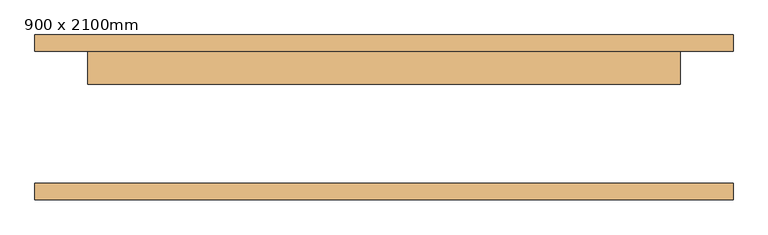
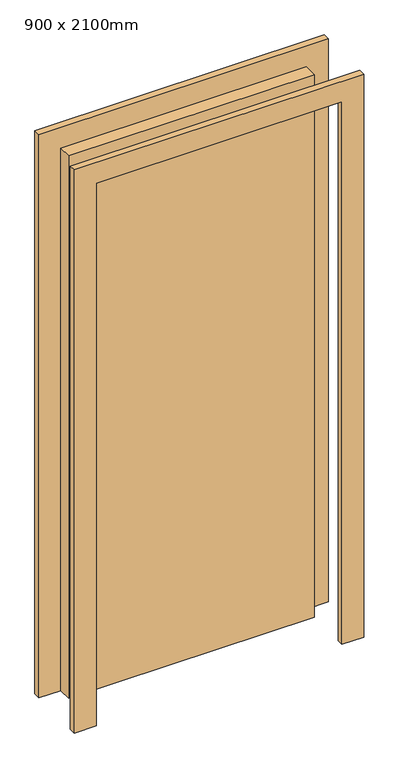
"""IFC4 building model written with IfcOpenShell, lengths in millimetres: door geometry, 900 x 2100mm."""

from ifc_helpers import new_model, si_unit, frame, origin, origin_with_axes, place, context, project, spatial, polyline, outline, extrude, source, transform, mapped, element, save


def door_900_x_2100mm_75f611c8(model_context):
    return source(origin(), model_context, "Body", "SweptSolid", [
        extrude(outline(polyline([(450.0, 50.0), (-450.0, 50.0), (-450.0, 100.0), (450.0, 100.0), (450.0, 50.0)])), origin_with_axes(), (0.0, 0.0, 1.0), 2100.0),
        extrude(outline(polyline([(2180.0, -530.0), (0.0, -530.0), (0.0, -450.0), (2100.0, -450.0), (2100.0, 450.0), (0.0, 450.0), (0.0, 530.0), (2180.0, 530.0), (2180.0, -530.0)])), frame((0.0, 100.0, 0.0), z_axis=(0.0, 1.0, 0.0), x_axis=(0.0, 0.0, 1.0)), (0.0, 0.0, 1.0), 25.0),
        extrude(outline(polyline([(2180.0, 530.0), (2180.0, -530.0), (0.0, -530.0), (0.0, -450.0), (2100.0, -450.0), (2100.0, 450.0), (0.0, 450.0), (0.0, 530.0), (2180.0, 530.0)])), frame((0.0, -125.0, 0.0), z_axis=(0.0, 1.0, 0.0), x_axis=(0.0, 0.0, 1.0)), (0.0, 0.0, 1.0), 25.0),
    ])


if __name__ == "__main__":
    model = new_model("IFC4")
    model_context = context("Model", 3, world=origin())
    ifc_project = project(units=[si_unit("LENGTHUNIT", "METRE", prefix="MILLI")], contexts=[model_context])
    site = spatial("IfcSite", under=ifc_project)
    building = spatial("IfcBuilding", under=site)
    placement = place(None, origin())
    door_900_x_2100mm_shape = door_900_x_2100mm_75f611c8(model_context)
    element("IfcDoor", 1, ObjectType="900 x 2100mm", at=placement, inside=building, context=model_context, shape_type="MappedRepresentation", body=[
        mapped(door_900_x_2100mm_shape, transform((0.0, 0.0, 0.0), x_axis=(1.0, 0.0, 0.0), y_axis=(0.0, 1.0, 0.0), z_axis=(0.0, 0.0, 1.0))),
    ])
    save(model, "model.ifc")
